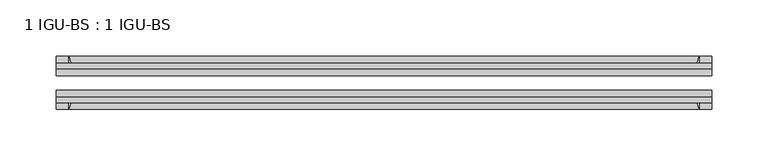
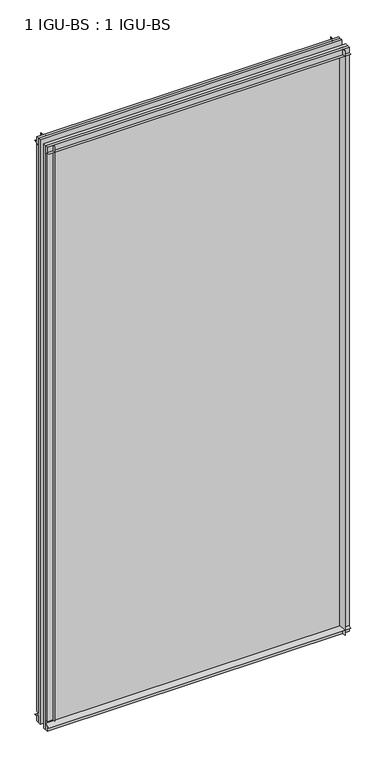
"""IFC4 building model written with IfcOpenShell, lengths in millimetres: plate geometry, 1 IGU-BS : 1 IGU-BS."""

from ifc_helpers import new_model, si_unit, point, frame, frame_2d, origin, origin_with_axes, place, context, project, spatial, polyline, circle_curve, trimmed, segment, composite_curve, outline, extrude, source, transform, mapped, element, save


def plate_1_igu_bs_1_igu_bs_fbc53303(model_context):
    return source(origin(), model_context, "Body", "SweptSolid", [
        extrude(outline(composite_curve([segment(polyline([(-109.8637312, 1177.925), (-103.8947312, 1177.925), (-103.8947312, 1189.0375), (-99.1195312, 1189.0375), (-99.1195312, 1174.0271095)]), True, "CONTINUOUS"), segment(trimmed(circle_curve(frame_2d((-115.4953516, 1145.6452461)), 32.7673262), [point((-99.1195312, 1174.0271095))], [point((-109.8637312, 1177.925))], True, "CARTESIAN"), True, "CONTINUOUS")], self_intersect=False)), frame((-290.5125, 0.0, 0.0), z_axis=(1.0, 0.0, 0.0), x_axis=(0.0, 1.0, 0.0)), (0.0, 0.0, 1.0), 581.025),
        extrude(outline(composite_curve([segment(polyline([(-73.7195312, 1174.0271095), (-73.7195312, 1189.0375), (-68.9443312, 1189.0375), (-68.9443312, 1177.925), (-62.9753315, 1177.925)]), True, "CONTINUOUS"), segment(trimmed(circle_curve(frame_2d((-57.3437109, 1145.6452461)), 32.7673262), [point((-62.9753315, 1177.925))], [point((-73.7195312, 1174.0271095))], True, "CARTESIAN"), True, "CONTINUOUS")], self_intersect=False)), frame((-290.5125, 0.0, 0.0), z_axis=(1.0, 0.0, 0.0), x_axis=(0.0, 1.0, 0.0)), (0.0, 0.0, 1.0), 581.025),
        extrude(outline(composite_curve([segment(polyline([(-103.8947312, 0.0), (-103.8947312, 9.5265381), (-109.8637315, 9.5265381)]), True, "CONTINUOUS"), segment(trimmed(circle_curve(frame_2d((-115.5567965, 42.1919217)), 33.1577785), [point((-109.8637315, 9.5265381))], [point((-99.1195312, 13.3951409))], True, "CARTESIAN"), True, "CONTINUOUS"), segment(polyline([(-99.1195312, 13.3951409), (-99.1195312, 0.0), (-103.8947312, 0.0)]), True, "CONTINUOUS")], self_intersect=False)), frame((-290.5125, 0.0, 0.0), z_axis=(1.0, 0.0, 0.0), x_axis=(0.0, 1.0, 0.0)), (0.0, 0.0, 1.0), 581.025),
        extrude(outline(composite_curve([segment(polyline([(-68.9443312, 0.0), (-73.7195312, 0.0), (-73.7195312, 13.4228906)]), True, "CONTINUOUS"), segment(trimmed(circle_curve(frame_2d((-57.3437109, 41.804754)), 32.7673262), [point((-73.7195312, 13.4228906))], [point((-62.9841404, 9.5265381))], True, "CARTESIAN"), True, "CONTINUOUS"), segment(polyline([(-62.9841404, 9.5265381), (-68.9443312, 9.5265381), (-68.9443312, 0.0)]), True, "CONTINUOUS")], self_intersect=False)), frame((-290.5125, 0.0, 0.0), z_axis=(1.0, 0.0, 0.0), x_axis=(0.0, 1.0, 0.0)), (0.0, 0.0, 1.0), 581.025),
        extrude(outline(composite_curve([segment(polyline([(290.5125, -68.9443313), (290.5125, -73.7195313), (275.5021095, -73.7195313)]), True, "CONTINUOUS"), segment(trimmed(circle_curve(frame_2d((247.120246, -57.3437109)), 32.7673262), [point((275.5021095, -73.7195313))], [point((279.4, -62.9753313))], True, "CARTESIAN"), True, "CONTINUOUS"), segment(polyline([(279.4, -62.9753313), (279.4, -68.9443313), (290.5125, -68.9443313)]), True, "CONTINUOUS")], self_intersect=False)), origin_with_axes(), (0.0, 0.0, 1.0), 1189.0375),
        extrude(outline(composite_curve([segment(polyline([(290.5125, -99.1195313), (290.5125, -103.8947312), (279.4, -103.8947312), (279.4, -109.8637312)]), True, "CONTINUOUS"), segment(trimmed(circle_curve(frame_2d((247.120246, -115.4953516)), 32.7673262), [point((279.4, -109.8637312))], [point((275.5021095, -99.1195313))], True, "CARTESIAN"), True, "CONTINUOUS"), segment(polyline([(275.5021095, -99.1195313), (290.5125, -99.1195313)]), True, "CONTINUOUS")], self_intersect=False)), origin_with_axes(), (0.0, 0.0, 1.0), 1189.0375),
        extrude(outline(composite_curve([segment(polyline([(-290.5125, -68.9443313), (-279.4, -68.9443313), (-279.4, -62.9753312)]), True, "CONTINUOUS"), segment(trimmed(circle_curve(frame_2d((-247.120246, -57.3437109)), 32.7673262), [point((-279.4, -62.9753312))], [point((-275.5021095, -73.7195313))], True, "CARTESIAN"), True, "CONTINUOUS"), segment(polyline([(-275.5021095, -73.7195313), (-290.5125, -73.7195313), (-290.5125, -68.9443313)]), True, "CONTINUOUS")], self_intersect=False)), frame((0.0, 0.0, 19.8437501), z_axis=(0.0, 0.0, 1.0), x_axis=(1.0, 0.0, 0.0)), (0.0, 0.0, 1.0), 1169.1937499),
        extrude(outline(composite_curve([segment(polyline([(-290.5125, -103.8947312), (-290.5125, -99.1195313), (-275.5021095, -99.1195313)]), True, "CONTINUOUS"), segment(trimmed(circle_curve(frame_2d((-247.120246, -115.4953516)), 32.7673262), [point((-275.5021095, -99.1195313))], [point((-279.4, -109.8637313))], True, "CARTESIAN"), True, "CONTINUOUS"), segment(polyline([(-279.4, -109.8637313), (-279.4, -103.8947312), (-290.5125, -103.8947312)]), True, "CONTINUOUS")], self_intersect=False)), frame((0.0, 0.0, 19.8437501), z_axis=(0.0, 0.0, 1.0), x_axis=(1.0, 0.0, 0.0)), (0.0, 0.0, 1.0), 1169.1937499),
        extrude(outline(polyline([(-290.5125, -99.1195313), (-290.5125, -92.8203313), (290.5125, -92.8203313), (290.5125, -99.1195313), (-290.5125, -99.1195313)])), origin_with_axes(), (0.0, 0.0, 1.0), 1189.0375),
        extrude(outline(polyline([(290.5125, -80.0187313), (-290.5125, -80.0187313), (-290.5125, -73.7195313), (290.5125, -73.7195313), (290.5125, -80.0187313)])), origin_with_axes(), (0.0, 0.0, 1.0), 1189.0375),
    ])


if __name__ == "__main__":
    model = new_model("IFC4")
    model_context = context("Model", 3, world=origin())
    ifc_project = project(units=[si_unit("LENGTHUNIT", "METRE", prefix="MILLI")], contexts=[model_context])
    site = spatial("IfcSite", under=ifc_project)
    building = spatial("IfcBuilding", under=site)
    placement = place(None, origin())
    plate_1_igu_bs_1_igu_bs_shape = plate_1_igu_bs_1_igu_bs_fbc53303(model_context)
    element("IfcPlate", 1, ObjectType="1 IGU-BS : 1 IGU-BS", at=placement, inside=building, context=model_context, shape_type="MappedRepresentation", body=[
        mapped(plate_1_igu_bs_1_igu_bs_shape, transform((0.0, 0.0, 0.0), x_axis=(1.0, 0.0, 0.0), y_axis=(0.0, 1.0, 0.0), z_axis=(0.0, 0.0, 1.0))),
    ])
    save(model, "model.ifc")
